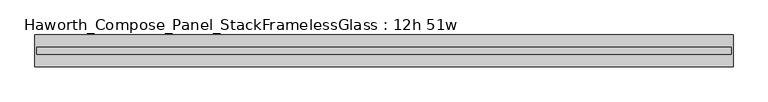
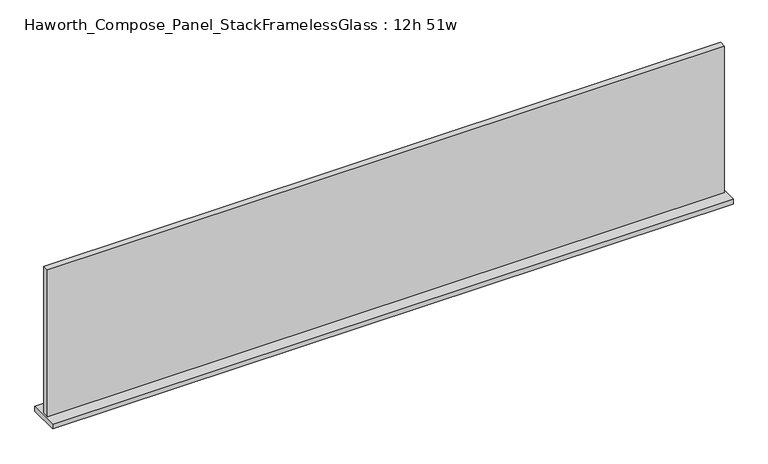
"""IFC4 building model written with IfcOpenShell, lengths in millimetres: furniture geometry, Haworth_Compose_Panel_StackFramelessGlass : 12h 51w."""

from ifc_helpers import new_model, si_unit, frame, origin, place, context, project, spatial, polyline, outline, extrude, source, transform, mapped, element, save


def haworth_compose_panel_stackframelessglass_12h_51w_76dd7644(model_context):
    return source(origin(), model_context, "Body", "SweptSolid", [
        extrude(outline(polyline([(646.9652902, -27.3093594), (-642.0847098, -27.3093594), (-642.0847098, -14.6093594), (646.9652902, -14.6093594), (646.9652902, -27.3093594)])), frame((0.0, 0.0, 1279.525), z_axis=(0.0, 0.0, 1.0), x_axis=(1.0, 0.0, 0.0)), (0.0, 0.0, 1.0), 295.275),
        extrude(outline(polyline([(-645.2597098, -50.3281094), (-645.2597098, 8.4093906), (650.1402902, 8.4093906), (650.1402902, -50.3281094), (-645.2597098, -50.3281094)])), frame((0.0, 0.0, 1270.0), z_axis=(0.0, 0.0, 1.0), x_axis=(1.0, 0.0, 0.0)), (0.0, 0.0, 1.0), 9.525),
    ])


if __name__ == "__main__":
    model = new_model("IFC4")
    model_context = context("Model", 3, world=origin())
    ifc_project = project(units=[si_unit("LENGTHUNIT", "METRE", prefix="MILLI")], contexts=[model_context])
    site = spatial("IfcSite", under=ifc_project)
    building = spatial("IfcBuilding", under=site)
    placement = place(None, origin())
    haworth_compose_panel_stackframelessglass_12h_51w_shape = haworth_compose_panel_stackframelessglass_12h_51w_76dd7644(model_context)
    element("IfcFurniture", 1, ObjectType="Haworth_Compose_Panel_StackFramelessGlass : 12h 51w", at=placement, inside=building, context=model_context, shape_type="MappedRepresentation", body=[
        mapped(haworth_compose_panel_stackframelessglass_12h_51w_shape, transform((0.0, 0.0, 0.0), x_axis=(1.0, 0.0, 0.0), y_axis=(0.0, 1.0, 0.0), z_axis=(0.0, 0.0, 1.0))),
    ])
    save(model, "model.ifc")
